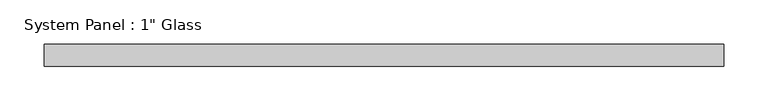
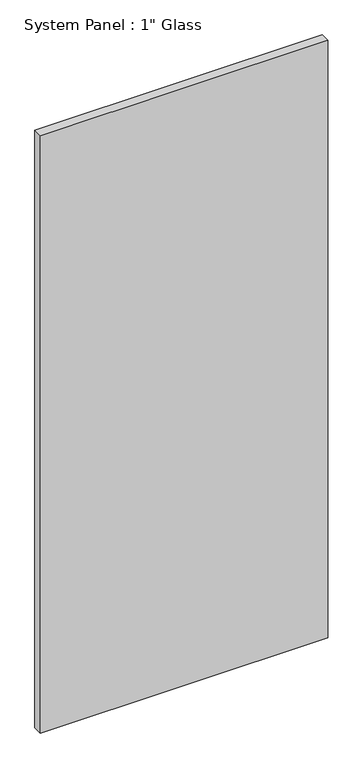
"""IFC4 building model written with IfcOpenShell, lengths in millimetres: plate geometry."""

from ifc_helpers import new_model, si_unit, origin, origin_with_axes, place, context, project, spatial, polyline, outline, extrude, source, transform, mapped, element, save


def plate_0b0b3120(model_context):
    return source(origin(), model_context, "Body", "SweptSolid", [
        extrude(outline(polyline([(385.7625, -12.7), (-385.7625, -12.7), (-385.7625, 12.7), (385.7625, 12.7), (385.7625, -12.7)])), origin_with_axes(), (0.0, 0.0, 1.0), 1695.45),
    ])


if __name__ == "__main__":
    model = new_model("IFC4")
    model_context = context("Model", 3, world=origin())
    ifc_project = project(units=[si_unit("LENGTHUNIT", "METRE", prefix="MILLI")], contexts=[model_context])
    site = spatial("IfcSite", under=ifc_project)
    building = spatial("IfcBuilding", under=site)
    placement = place(None, origin())
    plate_shape = plate_0b0b3120(model_context)
    element("IfcPlate", 1, ObjectType="System Panel : 1\" Glass", at=placement, inside=building, context=model_context, shape_type="MappedRepresentation", body=[
        mapped(plate_shape, transform((0.0, 0.0, 0.0), x_axis=(1.0, 0.0, 0.0), y_axis=(0.0, 1.0, 0.0), z_axis=(0.0, 0.0, 1.0))),
    ])
    save(model, "model.ifc")
